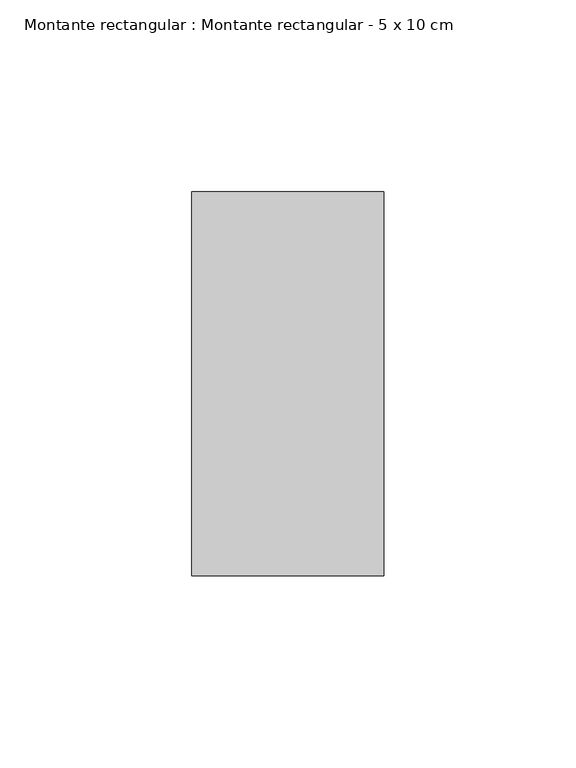
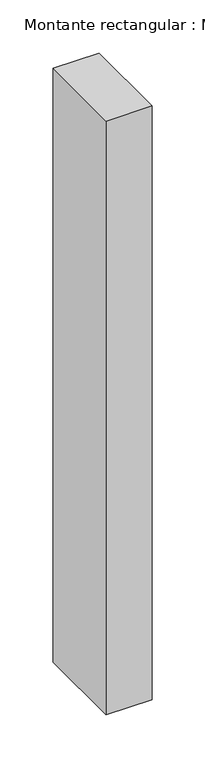
"""IFC4 building model written with IfcOpenShell, lengths in millimetres: member geometry, Montante rectangular : Montante rectangular - 5 x 10 cm."""

from ifc_helpers import new_model, si_unit, frame, origin, place, context, project, spatial, polyline, outline, extrude, source, transform, mapped, element, save


def montante_rectangular_montante_rectangular_5_x_10_cm_2dfcc1f7(model_context):
    return source(origin(), model_context, "Body", "SweptSolid", [
        extrude(outline(polyline([(0.0, 50.0), (0.0, -50.0), (-50.0, -50.0), (-50.0, 50.0), (0.0, 50.0)])), frame((0.0, 0.0, -682.0), z_axis=(0.0, 0.0, 1.0), x_axis=(1.0, 0.0, 0.0)), (0.0, 0.0, 1.0), 682.0),
    ])


if __name__ == "__main__":
    model = new_model("IFC4")
    model_context = context("Model", 3, world=origin())
    ifc_project = project(units=[si_unit("LENGTHUNIT", "METRE", prefix="MILLI")], contexts=[model_context])
    site = spatial("IfcSite", under=ifc_project)
    building = spatial("IfcBuilding", under=site)
    placement = place(None, origin())
    montante_rectangular_montante_rectangular_5_x_10_cm_shape = montante_rectangular_montante_rectangular_5_x_10_cm_2dfcc1f7(model_context)
    element("IfcMember", 1, ObjectType="Montante rectangular : Montante rectangular - 5 x 10 cm", at=placement, inside=building, context=model_context, shape_type="MappedRepresentation", body=[
        mapped(montante_rectangular_montante_rectangular_5_x_10_cm_shape, transform((0.0, 0.0, 0.0), x_axis=(1.0, 0.0, 0.0), y_axis=(0.0, 1.0, 0.0), z_axis=(0.0, 0.0, 1.0))),
    ])
    save(model, "model.ifc")
